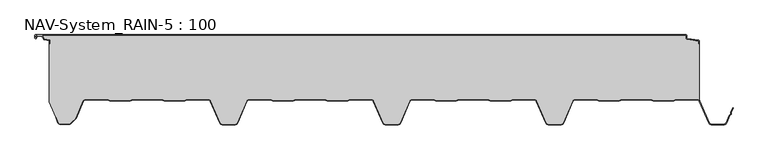
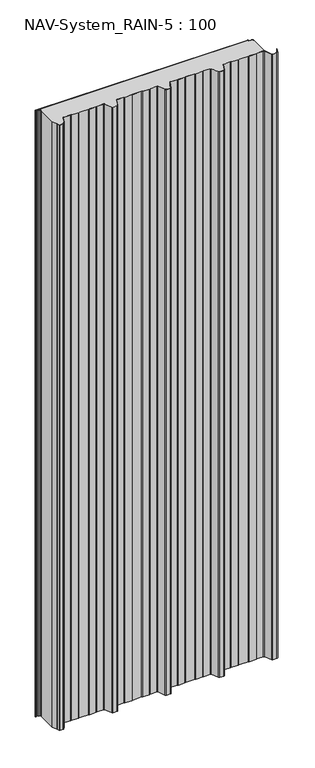
"""IFC4 building model written with IfcOpenShell, lengths in millimetres: plate geometry, NAV-System_RAIN-5 : 100."""

from ifc_helpers import new_model, si_unit, point, frame_2d, origin, origin_with_axes, place, context, project, spatial, polyline, circle_curve, trimmed, segment, composite_curve, outline, extrude, source, transform, mapped, element, save


def nav_system_rain_5_100_fa33bae8(model_context):
    return source(origin(), model_context, "Body", "SweptSolid", [
        extrude(outline(composite_curve([segment(polyline([(519.0, -13.6767555), (518.2, -13.6767555), (518.2, -9.3721283), (500.4911207, -6.8818536)]), True, "CONTINUOUS"), segment(trimmed(circle_curve(frame_2d((500.7, -5.3964683)), 1.5), [point((500.4911207, -6.8818536))], [point((499.2, -5.3964683))], False, "CARTESIAN"), True, "CONTINUOUS"), segment(polyline([(499.2, -5.3964683), (499.2, -0.8), (-498.7, -0.8)]), True, "CONTINUOUS"), segment(trimmed(circle_curve(frame_2d((-498.7, -1.3)), 0.5), [point((-498.7, -0.8))], [point((-499.2, -1.3))], True, "CARTESIAN"), True, "CONTINUOUS"), segment(polyline([(-499.2, -1.3), (-499.2, -4.3700191)]), True, "CONTINUOUS"), segment(trimmed(circle_curve(frame_2d((-498.7, -4.3700191)), 0.5), [point((-499.2, -4.3700191))], [point((-498.2669873, -4.6200191))], True, "CARTESIAN"), True, "CONTINUOUS"), segment(polyline([(-498.2669873, -4.6200191), (-496.2924383, -1.2), (-488.9841833, -1.2), (-485.8164586, -6.6866602), (-477.2, -7.898332), (-477.2, -13.6767555), (-478.0, -13.6767555), (-478.0, -8.5937048), (-485.6863953, -7.5128213)]), True, "CONTINUOUS"), segment(trimmed(circle_curve(frame_2d((-485.5053666, -6.2254873)), 1.3), [point((-485.6863953, -7.5128213))], [point((-486.6311996, -6.8754873))], False, "CARTESIAN"), True, "CONTINUOUS"), segment(polyline([(-486.6311996, -6.8754873), (-489.4460636, -2.0), (-495.8305581, -2.0), (-497.574167, -5.0200191)]), True, "CONTINUOUS"), segment(trimmed(circle_curve(frame_2d((-498.7, -4.3700191)), 1.3), [point((-497.574167, -5.0200191))], [point((-500.0, -4.3700191))], False, "CARTESIAN"), True, "CONTINUOUS"), segment(polyline([(-500.0, -4.3700191), (-500.0, -1.3)]), True, "CONTINUOUS"), segment(trimmed(circle_curve(frame_2d((-498.7, -1.3)), 1.3), [point((-500.0, -1.3))], [point((-498.7, 0.0))], False, "CARTESIAN"), True, "CONTINUOUS"), segment(polyline([(-498.7, 0.0), (498.7, 0.0)]), True, "CONTINUOUS"), segment(trimmed(circle_curve(frame_2d((498.7, -1.3)), 1.3), [point((498.7, 0.0))], [point((500.0, -1.3))], False, "CARTESIAN"), True, "CONTINUOUS"), segment(polyline([(500.0, -1.3), (500.0, -5.3964683)]), True, "CONTINUOUS"), segment(trimmed(circle_curve(frame_2d((500.7, -5.3964683)), 0.7), [point((500.0, -5.3964683))], [point((500.602523, -6.0896481))], True, "CARTESIAN"), True, "CONTINUOUS"), segment(polyline([(500.602523, -6.0896481), (517.8810287, -8.5194024)]), True, "CONTINUOUS"), segment(trimmed(circle_curve(frame_2d((517.7, -9.8067363)), 1.3), [point((517.8810287, -8.5194024))], [point((519.0, -9.8067363))], False, "CARTESIAN"), True, "CONTINUOUS"), segment(polyline([(519.0, -9.8067363), (519.0, -13.6767555)]), True, "CONTINUOUS")], self_intersect=False)), origin_with_axes(), (0.0, 0.0, 1.0), 3000.0),
        extrude(outline(composite_curve([segment(trimmed(circle_curve(frame_2d((515.5898022, -104.0)), 4.8), [point((519.0, -100.6220493))], [point((515.5898022, -99.2))], True, "CARTESIAN"), True, "CONTINUOUS"), segment(polyline([(515.5898022, -99.2), (483.6922468, -99.2), (479.6508228, -100.7), (448.0723788, -100.6741102), (444.1768702, -99.2), (400.3589135, -99.2), (396.3174895, -100.7), (364.7390455, -100.6741102), (360.8435369, -99.2), (328.9416341, -99.2)]), True, "CONTINUOUS"), segment(trimmed(circle_curve(frame_2d((328.9416341, -104.0)), 4.8), [point((328.9416341, -99.2))], [point((324.5314363, -102.1052295))], True, "CARTESIAN"), True, "CONTINUOUS"), segment(polyline([(324.5314363, -102.1052295), (310.330878, -135.1579242)]), True, "CONTINUOUS"), segment(trimmed(circle_curve(frame_2d((306.4719549, -133.5)), 4.2), [point((310.330878, -135.1579242))], [point((306.4719549, -137.7))], False, "CARTESIAN"), True, "CONTINUOUS"), segment(polyline([(306.4719549, -137.7), (288.0594814, -137.7)]), True, "CONTINUOUS"), segment(trimmed(circle_curve(frame_2d((288.0594814, -133.5)), 4.2), [point((288.0594814, -137.7))], [point((284.2005583, -135.1579242))], False, "CARTESIAN"), True, "CONTINUOUS"), segment(polyline([(284.2005583, -135.1579242), (270.0, -102.1052295)]), True, "CONTINUOUS"), segment(trimmed(circle_curve(frame_2d((265.5898022, -104.0)), 4.8), [point((270.0, -102.1052295))], [point((265.5898022, -99.2))], True, "CARTESIAN"), True, "CONTINUOUS"), segment(polyline([(265.5898022, -99.2), (233.6922468, -99.2), (229.6508228, -100.7), (198.0723788, -100.6741102), (194.1768702, -99.2), (150.3589135, -99.2), (146.3174895, -100.7), (114.8074622, -100.7), (110.8435369, -99.2), (78.9416341, -99.2)]), True, "CONTINUOUS"), segment(trimmed(circle_curve(frame_2d((78.9416341, -104.0)), 4.8), [point((78.9416341, -99.2))], [point((74.5314363, -102.1052295))], True, "CARTESIAN"), True, "CONTINUOUS"), segment(polyline([(74.5314363, -102.1052295), (60.330878, -135.1579242)]), True, "CONTINUOUS"), segment(trimmed(circle_curve(frame_2d((56.4719549, -133.5)), 4.2), [point((60.330878, -135.1579242))], [point((56.4719549, -137.7))], False, "CARTESIAN"), True, "CONTINUOUS"), segment(polyline([(56.4719549, -137.7), (38.0594814, -137.7)]), True, "CONTINUOUS"), segment(trimmed(circle_curve(frame_2d((38.0594814, -133.5)), 4.2), [point((38.0594814, -137.7))], [point((34.2005583, -135.1579242))], False, "CARTESIAN"), True, "CONTINUOUS"), segment(polyline([(34.2005583, -135.1579242), (20.0, -102.1052295)]), True, "CONTINUOUS"), segment(trimmed(circle_curve(frame_2d((15.5898022, -104.0)), 4.8), [point((20.0, -102.1052295))], [point((15.5898022, -99.2))], True, "CARTESIAN"), True, "CONTINUOUS"), segment(polyline([(15.5898022, -99.2), (-16.3077532, -99.2), (-20.3491772, -100.7), (-51.9276212, -100.6741102), (-55.8231298, -99.2), (-99.6410865, -99.2), (-103.6825105, -100.7), (-135.1925378, -100.7), (-139.1564631, -99.2), (-171.0583659, -99.2)]), True, "CONTINUOUS"), segment(trimmed(circle_curve(frame_2d((-171.0583659, -104.0)), 4.8), [point((-171.0583659, -99.2))], [point((-175.4685637, -102.1052295))], True, "CARTESIAN"), True, "CONTINUOUS"), segment(polyline([(-175.4685637, -102.1052295), (-189.669122, -135.1579242)]), True, "CONTINUOUS"), segment(trimmed(circle_curve(frame_2d((-193.5280451, -133.5)), 4.2), [point((-189.669122, -135.1579242))], [point((-193.5280451, -137.7))], False, "CARTESIAN"), True, "CONTINUOUS"), segment(polyline([(-193.5280451, -137.7), (-211.9405186, -137.7)]), True, "CONTINUOUS"), segment(trimmed(circle_curve(frame_2d((-211.9405186, -133.5)), 4.2), [point((-211.9405186, -137.7))], [point((-215.7994417, -135.1579242))], False, "CARTESIAN"), True, "CONTINUOUS"), segment(polyline([(-215.7994417, -135.1579242), (-230.0, -102.1052295)]), True, "CONTINUOUS"), segment(trimmed(circle_curve(frame_2d((-234.4101978, -104.0)), 4.8), [point((-230.0, -102.1052295))], [point((-234.4101978, -99.2))], True, "CARTESIAN"), True, "CONTINUOUS"), segment(polyline([(-234.4101978, -99.2), (-266.3077532, -99.2), (-270.3491772, -100.7), (-301.9276212, -100.6741102), (-305.8231298, -99.2), (-349.6410865, -99.2), (-353.6825105, -100.7), (-385.1925378, -100.7), (-389.1564631, -99.2), (-421.9290751, -99.2)]), True, "CONTINUOUS"), segment(trimmed(circle_curve(frame_2d((-421.9290751, -104.0)), 4.8), [point((-421.9290751, -99.2))], [point((-426.3392729, -102.1052295))], True, "CARTESIAN"), True, "CONTINUOUS"), segment(polyline([(-426.3392729, -102.1052295), (-437.4245651, -127.9069459)]), True, "CONTINUOUS"), segment(trimmed(circle_curve(frame_2d((-441.2834882, -126.2490217)), 4.2), [point((-437.4245651, -127.9069459))], [point((-438.3136397, -129.2188701))], False, "CARTESIAN"), True, "CONTINUOUS"), segment(polyline([(-438.3136397, -129.2188701), (-444.764618, -135.6698485)]), True, "CONTINUOUS"), segment(trimmed(circle_curve(frame_2d((-447.7344665, -132.7)), 4.2), [point((-444.764618, -135.6698485))], [point((-447.7344665, -136.9))], False, "CARTESIAN"), True, "CONTINUOUS"), segment(polyline([(-447.7344665, -136.9), (-461.1405186, -136.9)]), True, "CONTINUOUS"), segment(trimmed(circle_curve(frame_2d((-461.1405186, -133.7)), 3.2), [point((-461.1405186, -136.9))], [point((-464.1022482, -134.9116756))], False, "CARTESIAN"), True, "CONTINUOUS"), segment(polyline([(-464.1022482, -134.9116756), (-467.6292254, -126.2905951), (-468.3696578, -126.593514), (-478.0, -103.053822), (-478.0, -13.6767555), (-477.2, -13.6767555), (-477.2, -7.898332), (-485.8164586, -6.6866602), (-488.9841833, -1.2), (-496.2924383, -1.2), (-498.2669873, -4.6200191)]), True, "CONTINUOUS"), segment(trimmed(circle_curve(frame_2d((-498.7, -4.3700191)), 0.5), [point((-498.2669873, -4.6200191))], [point((-499.2, -4.3700191))], False, "CARTESIAN"), True, "CONTINUOUS"), segment(polyline([(-499.2, -4.3700191), (-499.2, -1.3)]), True, "CONTINUOUS"), segment(trimmed(circle_curve(frame_2d((-498.7, -1.3)), 0.5), [point((-499.2, -1.3))], [point((-498.7, -0.8))], False, "CARTESIAN"), True, "CONTINUOUS"), segment(polyline([(-498.7, -0.8), (499.2, -0.8), (499.2, -5.3964683)]), True, "CONTINUOUS"), segment(trimmed(circle_curve(frame_2d((500.7, -5.3964683)), 1.5), [point((499.2, -5.3964683))], [point((500.4911207, -6.8818536))], True, "CARTESIAN"), True, "CONTINUOUS"), segment(polyline([(500.4911207, -6.8818536), (518.2, -9.3721283), (518.2, -13.6767555), (519.0, -13.6767555), (519.0, -100.6220493)]), True, "CONTINUOUS")], self_intersect=False)), origin_with_axes(), (0.0, 0.0, 1.0), 3000.0),
        extrude(outline(composite_curve([segment(polyline([(-464.8430228, -135.2145945), (-468.37, -126.593514), (-467.6295676, -126.2905951), (-464.1025904, -134.9116756)]), True, "CONTINUOUS"), segment(trimmed(circle_curve(frame_2d((-461.1408608, -133.7)), 3.2), [point((-464.1025904, -134.9116756))], [point((-461.1408608, -136.9))], True, "CARTESIAN"), True, "CONTINUOUS"), segment(polyline([(-461.1408608, -136.9), (-447.7348087, -136.9)]), True, "CONTINUOUS"), segment(trimmed(circle_curve(frame_2d((-447.7348087, -132.7)), 4.2), [point((-447.7348087, -136.9))], [point((-444.7649603, -135.6698485))], True, "CARTESIAN"), True, "CONTINUOUS"), segment(polyline([(-444.7649603, -135.6698485), (-438.3139819, -129.2188701)]), True, "CONTINUOUS"), segment(trimmed(circle_curve(frame_2d((-441.2838304, -126.2490217)), 4.2), [point((-438.3139819, -129.2188701))], [point((-437.4249073, -127.9069459))], True, "CARTESIAN"), True, "CONTINUOUS"), segment(polyline([(-437.4249073, -127.9069459), (-426.3396151, -102.1052295)]), True, "CONTINUOUS"), segment(trimmed(circle_curve(frame_2d((-421.9294173, -104.0)), 4.8), [point((-426.3396151, -102.1052295))], [point((-421.9294173, -99.2))], False, "CARTESIAN"), True, "CONTINUOUS"), segment(polyline([(-421.9294173, -99.2), (-389.1568054, -99.2), (-385.19288, -100.7), (-353.6828527, -100.7), (-349.6414287, -99.2), (-305.8234721, -99.2), (-301.9279634, -100.6741102), (-270.3495194, -100.7), (-266.3080954, -99.2), (-234.41054, -99.2)]), True, "CONTINUOUS"), segment(trimmed(circle_curve(frame_2d((-234.41054, -104.0)), 4.8), [point((-234.41054, -99.2))], [point((-230.0003422, -102.1052295))], False, "CARTESIAN"), True, "CONTINUOUS"), segment(polyline([(-230.0003422, -102.1052295), (-215.7997839, -135.1579242)]), True, "CONTINUOUS"), segment(trimmed(circle_curve(frame_2d((-211.9408608, -133.5)), 4.2), [point((-215.7997839, -135.1579242))], [point((-211.9408608, -137.7))], True, "CARTESIAN"), True, "CONTINUOUS"), segment(polyline([(-211.9408608, -137.7), (-193.5283873, -137.7)]), True, "CONTINUOUS"), segment(trimmed(circle_curve(frame_2d((-193.5283873, -133.5)), 4.2), [point((-193.5283873, -137.7))], [point((-189.6694642, -135.1579242))], True, "CARTESIAN"), True, "CONTINUOUS"), segment(polyline([(-189.6694642, -135.1579242), (-175.4689059, -102.1052295)]), True, "CONTINUOUS"), segment(trimmed(circle_curve(frame_2d((-171.0587081, -104.0)), 4.8), [point((-175.4689059, -102.1052295))], [point((-171.0587081, -99.2))], False, "CARTESIAN"), True, "CONTINUOUS"), segment(polyline([(-171.0587081, -99.2), (-139.1568054, -99.2), (-135.2612967, -100.6741102), (-103.6828527, -100.7), (-99.6414287, -99.2), (-55.8234721, -99.2), (-51.9279634, -100.6741102), (-20.3495194, -100.7), (-16.3080954, -99.2), (15.58946, -99.2)]), True, "CONTINUOUS"), segment(trimmed(circle_curve(frame_2d((15.58946, -104.0)), 4.8), [point((15.58946, -99.2))], [point((19.9996578, -102.1052295))], False, "CARTESIAN"), True, "CONTINUOUS"), segment(polyline([(19.9996578, -102.1052295), (34.2002161, -135.1579242)]), True, "CONTINUOUS"), segment(trimmed(circle_curve(frame_2d((38.0591392, -133.5)), 4.2), [point((34.2002161, -135.1579242))], [point((38.0591392, -137.7))], True, "CARTESIAN"), True, "CONTINUOUS"), segment(polyline([(38.0591392, -137.7), (56.4716127, -137.7)]), True, "CONTINUOUS"), segment(trimmed(circle_curve(frame_2d((56.4716127, -133.5)), 4.2), [point((56.4716127, -137.7))], [point((60.3305358, -135.1579242))], True, "CARTESIAN"), True, "CONTINUOUS"), segment(polyline([(60.3305358, -135.1579242), (74.5310941, -102.1052295)]), True, "CONTINUOUS"), segment(trimmed(circle_curve(frame_2d((78.9412919, -104.0)), 4.8), [point((74.5310941, -102.1052295))], [point((78.9412919, -99.2))], False, "CARTESIAN"), True, "CONTINUOUS"), segment(polyline([(78.9412919, -99.2), (110.8431946, -99.2), (114.7387033, -100.6741102), (146.3171473, -100.7), (150.3585713, -99.2), (194.1765279, -99.2), (198.0720366, -100.6741102), (229.6504806, -100.7), (233.6919046, -99.2), (265.58946, -99.2)]), True, "CONTINUOUS"), segment(trimmed(circle_curve(frame_2d((265.58946, -104.0)), 4.8), [point((265.58946, -99.2))], [point((269.9996578, -102.1052295))], False, "CARTESIAN"), True, "CONTINUOUS"), segment(polyline([(269.9996578, -102.1052295), (284.2002161, -135.1579242)]), True, "CONTINUOUS"), segment(trimmed(circle_curve(frame_2d((288.0591392, -133.5)), 4.2), [point((284.2002161, -135.1579242))], [point((288.0591392, -137.7))], True, "CARTESIAN"), True, "CONTINUOUS"), segment(polyline([(288.0591392, -137.7), (306.4716127, -137.7)]), True, "CONTINUOUS"), segment(trimmed(circle_curve(frame_2d((306.4716127, -133.5)), 4.2), [point((306.4716127, -137.7))], [point((310.3305358, -135.1579242))], True, "CARTESIAN"), True, "CONTINUOUS"), segment(polyline([(310.3305358, -135.1579242), (324.5310941, -102.1052295)]), True, "CONTINUOUS"), segment(trimmed(circle_curve(frame_2d((328.9412919, -104.0)), 4.8), [point((324.5310941, -102.1052295))], [point((328.9412919, -99.2))], False, "CARTESIAN"), True, "CONTINUOUS"), segment(polyline([(328.9412919, -99.2), (360.8431946, -99.2), (364.7387033, -100.6741102), (396.3171473, -100.7), (400.3585713, -99.2), (444.1765279, -99.2), (448.0720366, -100.6741102), (479.6504806, -100.7), (483.6919046, -99.2), (515.58946, -99.2)]), True, "CONTINUOUS"), segment(trimmed(circle_curve(frame_2d((515.58946, -104.0)), 4.8), [point((515.58946, -99.2))], [point((519.9996578, -102.1052295))], False, "CARTESIAN"), True, "CONTINUOUS"), segment(polyline([(519.9996578, -102.1052295), (534.2002161, -135.1579242)]), True, "CONTINUOUS"), segment(trimmed(circle_curve(frame_2d((538.0591392, -133.5)), 4.2), [point((534.2002161, -135.1579242))], [point((538.0591392, -137.7))], True, "CARTESIAN"), True, "CONTINUOUS"), segment(polyline([(538.0591392, -137.7), (556.4716127, -137.7)]), True, "CONTINUOUS"), segment(trimmed(circle_curve(frame_2d((556.4716127, -133.5)), 4.2), [point((556.4716127, -137.7))], [point((560.3305358, -135.1579242))], True, "CARTESIAN"), True, "CONTINUOUS"), segment(polyline([(560.3305358, -135.1579242), (565.2356202, -123.741031), (567.1121268, -122.0654564), (567.0358547, -119.5508717), (570.0831709, -112.458051), (570.8182039, -112.7738461), (567.8408612, -119.703799), (567.9230626, -122.4138642), (565.9006789, -124.2196957), (561.0655687, -135.4737193)]), True, "CONTINUOUS"), segment(trimmed(circle_curve(frame_2d((556.4716127, -133.5)), 5.0), [point((561.0655687, -135.4737193))], [point((556.4716127, -138.5))], False, "CARTESIAN"), True, "CONTINUOUS"), segment(polyline([(556.4716127, -138.5), (538.0591392, -138.5)]), True, "CONTINUOUS"), segment(trimmed(circle_curve(frame_2d((538.0591392, -133.5)), 5.0), [point((538.0591392, -138.5))], [point((533.4651831, -135.4737193))], False, "CARTESIAN"), True, "CONTINUOUS"), segment(polyline([(533.4651831, -135.4737193), (519.2646248, -102.4210246)]), True, "CONTINUOUS"), segment(trimmed(circle_curve(frame_2d((515.58946, -104.0)), 4.0), [point((519.2646248, -102.4210246))], [point((515.58946, -100.0))], True, "CARTESIAN"), True, "CONTINUOUS"), segment(polyline([(515.58946, -100.0), (483.8338601, -100.0), (479.8699347, -101.5), (447.9941505, -101.5), (444.0302251, -100.0), (400.5005268, -100.0), (396.5366014, -101.5), (364.6608172, -101.5), (360.6968918, -100.0), (328.9412919, -100.0)]), True, "CONTINUOUS"), segment(trimmed(circle_curve(frame_2d((328.9412919, -104.0)), 4.0), [point((328.9412919, -100.0))], [point((325.2661271, -102.4210246))], True, "CARTESIAN"), True, "CONTINUOUS"), segment(polyline([(325.2661271, -102.4210246), (311.0655687, -135.4737193)]), True, "CONTINUOUS"), segment(trimmed(circle_curve(frame_2d((306.4716127, -133.5)), 5.0), [point((311.0655687, -135.4737193))], [point((306.4716127, -138.5))], False, "CARTESIAN"), True, "CONTINUOUS"), segment(polyline([(306.4716127, -138.5), (288.0591392, -138.5)]), True, "CONTINUOUS"), segment(trimmed(circle_curve(frame_2d((288.0591392, -133.5)), 5.0), [point((288.0591392, -138.5))], [point((283.4651831, -135.4737193))], False, "CARTESIAN"), True, "CONTINUOUS"), segment(polyline([(283.4651831, -135.4737193), (269.2646248, -102.4210246)]), True, "CONTINUOUS"), segment(trimmed(circle_curve(frame_2d((265.58946, -104.0)), 4.0), [point((269.2646248, -102.4210246))], [point((265.58946, -100.0))], True, "CARTESIAN"), True, "CONTINUOUS"), segment(polyline([(265.58946, -100.0), (233.8338601, -100.0), (229.8699347, -101.5), (197.9941505, -101.5), (194.0302251, -100.0), (150.5005268, -100.0), (146.5366014, -101.5), (114.6608172, -101.5), (110.6968918, -100.0), (78.9412919, -100.0)]), True, "CONTINUOUS"), segment(trimmed(circle_curve(frame_2d((78.9412919, -104.0)), 4.0), [point((78.9412919, -100.0))], [point((75.2661271, -102.4210246))], True, "CARTESIAN"), True, "CONTINUOUS"), segment(polyline([(75.2661271, -102.4210246), (61.0655687, -135.4737193)]), True, "CONTINUOUS"), segment(trimmed(circle_curve(frame_2d((56.4716127, -133.5)), 5.0), [point((61.0655687, -135.4737193))], [point((56.4716127, -138.5))], False, "CARTESIAN"), True, "CONTINUOUS"), segment(polyline([(56.4716127, -138.5), (38.0591392, -138.5)]), True, "CONTINUOUS"), segment(trimmed(circle_curve(frame_2d((38.0591392, -133.5)), 5.0), [point((38.0591392, -138.5))], [point((33.4651831, -135.4737193))], False, "CARTESIAN"), True, "CONTINUOUS"), segment(polyline([(33.4651831, -135.4737193), (19.2646248, -102.4210246)]), True, "CONTINUOUS"), segment(trimmed(circle_curve(frame_2d((15.58946, -104.0)), 4.0), [point((19.2646248, -102.4210246))], [point((15.58946, -100.0))], True, "CARTESIAN"), True, "CONTINUOUS"), segment(polyline([(15.58946, -100.0), (-16.1661399, -100.0), (-20.1300653, -101.5), (-52.0058495, -101.5), (-55.9697749, -100.0), (-99.4994732, -100.0), (-103.4633986, -101.5), (-135.3391828, -101.5), (-139.3031082, -100.0), (-171.0587081, -100.0)]), True, "CONTINUOUS"), segment(trimmed(circle_curve(frame_2d((-171.0587081, -104.0)), 4.0), [point((-171.0587081, -100.0))], [point((-174.7338729, -102.4210246))], True, "CARTESIAN"), True, "CONTINUOUS"), segment(polyline([(-174.7338729, -102.4210246), (-188.9344313, -135.4737193)]), True, "CONTINUOUS"), segment(trimmed(circle_curve(frame_2d((-193.5283873, -133.5)), 5.0), [point((-188.9344313, -135.4737193))], [point((-193.5283873, -138.5))], False, "CARTESIAN"), True, "CONTINUOUS"), segment(polyline([(-193.5283873, -138.5), (-211.9408608, -138.5)]), True, "CONTINUOUS"), segment(trimmed(circle_curve(frame_2d((-211.9408608, -133.5)), 5.0), [point((-211.9408608, -138.5))], [point((-216.5348169, -135.4737193))], False, "CARTESIAN"), True, "CONTINUOUS"), segment(polyline([(-216.5348169, -135.4737193), (-230.7353752, -102.4210246)]), True, "CONTINUOUS"), segment(trimmed(circle_curve(frame_2d((-234.41054, -104.0)), 4.0), [point((-230.7353752, -102.4210246))], [point((-234.41054, -100.0))], True, "CARTESIAN"), True, "CONTINUOUS"), segment(polyline([(-234.41054, -100.0), (-266.1661399, -100.0), (-270.1300653, -101.5), (-302.0058495, -101.5), (-305.9697749, -100.0), (-349.4994732, -100.0), (-353.4633986, -101.5), (-385.3391828, -101.5), (-389.3031082, -100.0), (-421.9294173, -100.0)]), True, "CONTINUOUS"), segment(trimmed(circle_curve(frame_2d((-421.9294173, -104.0)), 4.0), [point((-421.9294173, -100.0))], [point((-425.6045822, -102.4210246))], True, "CARTESIAN"), True, "CONTINUOUS"), segment(polyline([(-425.6045822, -102.4210246), (-436.6898744, -128.2227409)]), True, "CONTINUOUS"), segment(trimmed(circle_curve(frame_2d((-441.2838304, -126.2490217)), 5.0), [point((-436.6898744, -128.2227409))], [point((-437.7482965, -129.7845556))], False, "CARTESIAN"), True, "CONTINUOUS"), segment(polyline([(-437.7482965, -129.7845556), (-444.1992748, -136.2355339)]), True, "CONTINUOUS"), segment(trimmed(circle_curve(frame_2d((-447.7348087, -132.7)), 5.0), [point((-444.1992748, -136.2355339))], [point((-447.7348087, -137.7))], False, "CARTESIAN"), True, "CONTINUOUS"), segment(polyline([(-447.7348087, -137.7), (-461.1408608, -137.7)]), True, "CONTINUOUS"), segment(trimmed(circle_curve(frame_2d((-461.1408608, -133.7)), 4.0), [point((-461.1408608, -137.7))], [point((-464.8430228, -135.2145945))], False, "CARTESIAN"), True, "CONTINUOUS")], self_intersect=False)), origin_with_axes(), (0.0, 0.0, 1.0), 3000.0),
    ])


if __name__ == "__main__":
    model = new_model("IFC4")
    model_context = context("Model", 3, world=origin())
    ifc_project = project(units=[si_unit("LENGTHUNIT", "METRE", prefix="MILLI")], contexts=[model_context])
    site = spatial("IfcSite", under=ifc_project)
    building = spatial("IfcBuilding", under=site)
    placement = place(None, origin())
    nav_system_rain_5_100_shape = nav_system_rain_5_100_fa33bae8(model_context)
    element("IfcPlate", 1, ObjectType="NAV-System_RAIN-5 : 100", at=placement, inside=building, context=model_context, shape_type="MappedRepresentation", body=[
        mapped(nav_system_rain_5_100_shape, transform((0.0, 0.0, 0.0), x_axis=(1.0, 0.0, 0.0), y_axis=(0.0, 1.0, 0.0), z_axis=(0.0, 0.0, 1.0))),
    ])
    save(model, "model.ifc")
